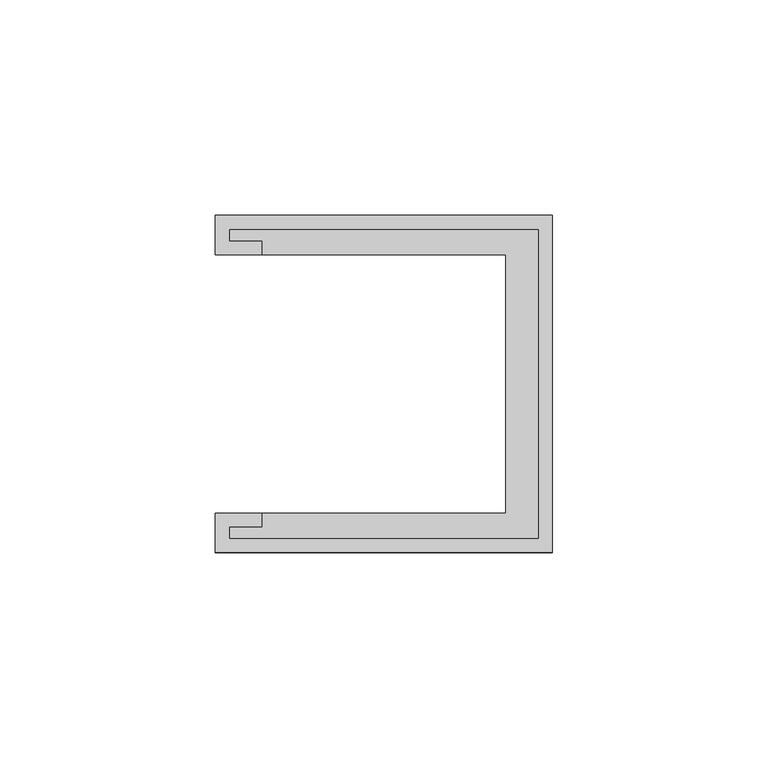
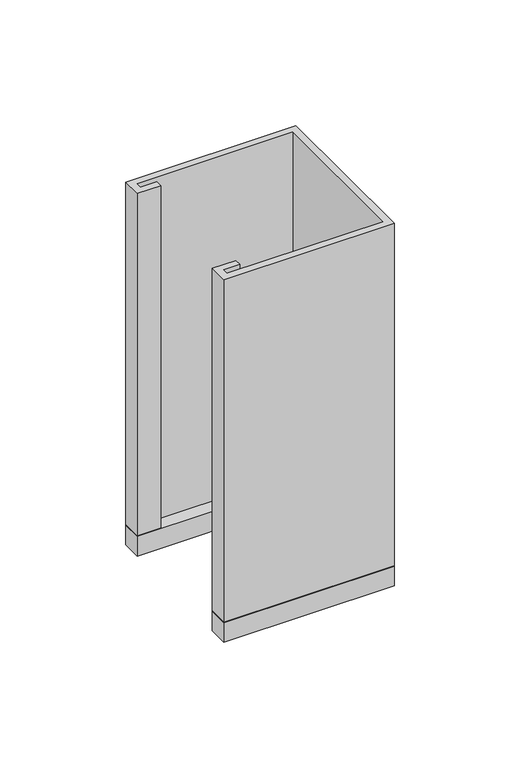
"""IFC4 building model written with IfcOpenShell, lengths in millimetres: furniture geometry."""

from ifc_helpers import new_model, si_unit, frame, origin, place, context, project, spatial, polyline, outline, extrude, source, transform, mapped, element, save


def furniture_1b864caa(model_context):
    return source(origin(), model_context, "Body", "SweptSolid", [
        extrude(outline(polyline([(-39.0921875, 39.0921875), (39.0921875, 39.0921875), (39.0921875, -39.0921875), (-39.0921875, -39.0921875), (-39.0921875, -29.9735875), (28.2971875, -29.9735875), (28.2971875, 29.9735875), (-39.0921875, 29.9735875), (-39.0921875, 39.0921875)])), frame((0.0, 0.0, 873.125), z_axis=(0.0, 0.0, 1.0), x_axis=(1.0, 0.0, 0.0)), (0.0, 0.0, 1.0), 9.525),
        extrude(outline(polyline([(-28.2971875, 29.9735875), (-39.0921875, 29.9735875), (-39.0921875, 39.0921875), (39.0921875, 39.0921875), (39.0921875, -39.0921875), (-39.0921875, -39.0921875), (-39.0921875, -29.9735875), (-28.2971875, -29.9735875), (-28.2971875, -33.1485875), (-35.9171875, -33.1485875), (-35.9171875, -35.9171875), (35.9171875, -35.9171875), (35.9171875, 35.9171875), (-35.9171875, 35.9171875), (-35.9171875, 33.1485875), (-28.2971875, 33.1485875), (-28.2971875, 29.9735875)])), frame((0.0, 0.0, 882.65), z_axis=(0.0, 0.0, 1.0), x_axis=(1.0, 0.0, 0.0)), (0.0, 0.0, 1.0), 166.5882813),
    ])


if __name__ == "__main__":
    model = new_model("IFC4")
    model_context = context("Model", 3, world=origin())
    ifc_project = project(units=[si_unit("LENGTHUNIT", "METRE", prefix="MILLI")], contexts=[model_context])
    site = spatial("IfcSite", under=ifc_project)
    building = spatial("IfcBuilding", under=site)
    placement = place(None, origin())
    furniture_shape = furniture_1b864caa(model_context)
    element("IfcFurniture", 1, at=placement, inside=building, context=model_context, shape_type="MappedRepresentation", body=[
        mapped(furniture_shape, transform((0.0, 0.0, 0.0), x_axis=(1.0, 0.0, 0.0), y_axis=(0.0, 1.0, 0.0), z_axis=(0.0, 0.0, 1.0))),
    ])
    save(model, "model.ifc")
